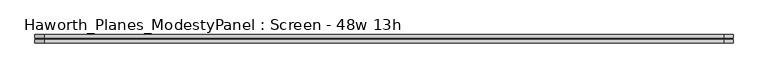
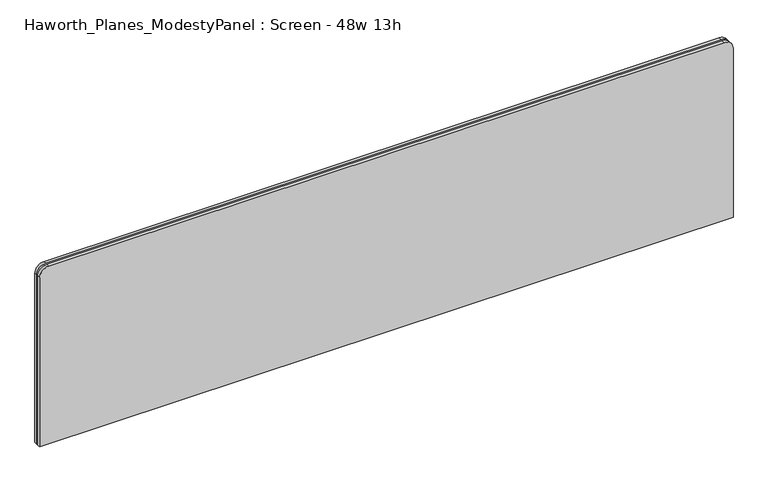
"""IFC4 building model written with IfcOpenShell, lengths in millimetres: furniture geometry, Haworth_Planes_ModestyPanel : Screen - 48w 13h."""

from ifc_helpers import new_model, si_unit, point, frame, frame_2d, origin, place, context, project, spatial, polyline, circle_curve, trimmed, segment, composite_curve, outline, extrude, source, transform, mapped, element, save


def haworth_planes_modestypanel_screen_48w_13h_1397ce48(model_context):
    return source(origin(), model_context, "Body", "SweptSolid", [
        extrude(outline(composite_curve([segment(polyline([(327.025, 806.45), (327.025, -374.65)]), True, "CONTINUOUS"), segment(trimmed(circle_curve(frame_2d((311.15, -374.65)), 15.875), [point((327.025, -374.65))], [point((311.15, -390.525))], False, "CARTESIAN"), True, "CONTINUOUS"), segment(polyline([(311.15, -390.525), (3.175, -390.525), (3.175, 822.325), (311.15, 822.325)]), True, "CONTINUOUS"), segment(trimmed(circle_curve(frame_2d((311.15, 806.45)), 15.875), [point((311.15, 822.325))], [point((327.025, 806.45))], False, "CARTESIAN"), True, "CONTINUOUS")], self_intersect=False)), frame((0.0, -201.3409766, 0.0), z_axis=(0.0, 1.0, 0.0), x_axis=(0.0, 0.0, 1.0)), (0.0, 0.0, 1.0), 3.175),
        extrude(outline(composite_curve([segment(polyline([(330.2, 809.625), (330.2, -377.825)]), True, "CONTINUOUS"), segment(trimmed(circle_curve(frame_2d((314.325, -377.825)), 15.875), [point((330.2, -377.825))], [point((314.325, -393.7))], False, "CARTESIAN"), True, "CONTINUOUS"), segment(polyline([(314.325, -393.7), (0.0, -393.7), (0.0, 825.5), (314.325, 825.5)]), True, "CONTINUOUS"), segment(trimmed(circle_curve(frame_2d((314.325, 809.625)), 15.875), [point((314.325, 825.5))], [point((330.2, 809.625))], False, "CARTESIAN"), True, "CONTINUOUS")], self_intersect=False)), frame((0.0, -198.1659766, 0.0), z_axis=(0.0, 1.0, 0.0), x_axis=(0.0, 0.0, 1.0)), (0.0, 0.0, 1.0), 5.55625),
        extrude(outline(composite_curve([segment(polyline([(330.2, 809.625), (330.2, -377.825)]), True, "CONTINUOUS"), segment(trimmed(circle_curve(frame_2d((314.325, -377.825)), 15.875), [point((330.2, -377.825))], [point((314.325, -393.7))], False, "CARTESIAN"), True, "CONTINUOUS"), segment(polyline([(314.325, -393.7), (0.0, -393.7), (0.0, 825.5), (314.325, 825.5)]), True, "CONTINUOUS"), segment(trimmed(circle_curve(frame_2d((314.325, 809.625)), 15.875), [point((314.325, 825.5))], [point((330.2, 809.625))], False, "CARTESIAN"), True, "CONTINUOUS")], self_intersect=False)), frame((0.0, -206.8972266, 0.0), z_axis=(0.0, 1.0, 0.0), x_axis=(0.0, 0.0, 1.0)), (0.0, 0.0, 1.0), 5.55625),
    ])


if __name__ == "__main__":
    model = new_model("IFC4")
    model_context = context("Model", 3, world=origin())
    ifc_project = project(units=[si_unit("LENGTHUNIT", "METRE", prefix="MILLI")], contexts=[model_context])
    site = spatial("IfcSite", under=ifc_project)
    building = spatial("IfcBuilding", under=site)
    placement = place(None, origin())
    haworth_planes_modestypanel_screen_48w_13h_shape = haworth_planes_modestypanel_screen_48w_13h_1397ce48(model_context)
    element("IfcFurniture", 1, ObjectType="Haworth_Planes_ModestyPanel : Screen - 48w 13h", at=placement, inside=building, context=model_context, shape_type="MappedRepresentation", body=[
        mapped(haworth_planes_modestypanel_screen_48w_13h_shape, transform((0.0, 0.0, 0.0), x_axis=(1.0, 0.0, 0.0), y_axis=(0.0, 1.0, 0.0), z_axis=(0.0, 0.0, 1.0))),
    ])
    save(model, "model.ifc")
